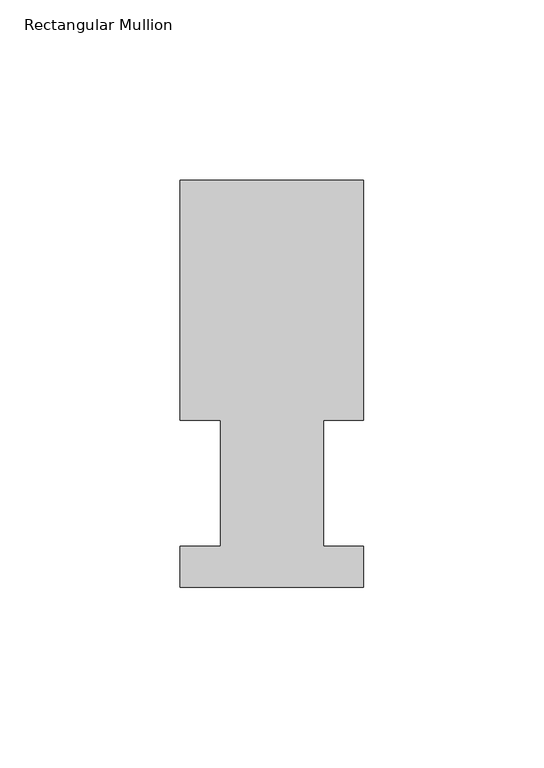
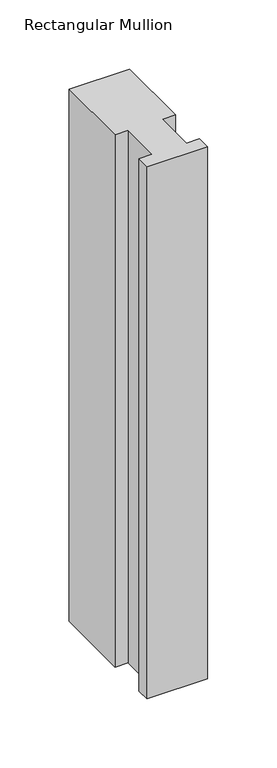
"""IFC4 building model written with IfcOpenShell, lengths in millimetres: member geometry, Rectangular Mullion."""

from ifc_helpers import new_model, si_unit, frame, origin, place, context, project, spatial, polyline, outline, extrude, source, transform, mapped, element, save


def rectangular_mullion_4c14f1f0(model_context):
    return source(origin(), model_context, "Body", "SweptSolid", [
        extrude(outline(polyline([(-50.8, 0.739775), (-50.8, 12.144375), (-39.6875, 12.144375), (-39.6875, 47.069375), (-50.8, 47.069375), (-50.8, 113.464975), (0.0, 113.464975), (0.0, 47.069375), (-11.0998, 47.069375), (-11.0998, 12.144375), (0.0, 12.144375), (0.0, 0.739775), (-50.8, 0.739775)])), frame((0.0, 0.0, -469.9), z_axis=(0.0, 0.0, 1.0), x_axis=(1.0, 0.0, 0.0)), (0.0, 0.0, 1.0), 469.9),
    ])


if __name__ == "__main__":
    model = new_model("IFC4")
    model_context = context("Model", 3, world=origin())
    ifc_project = project(units=[si_unit("LENGTHUNIT", "METRE", prefix="MILLI")], contexts=[model_context])
    site = spatial("IfcSite", under=ifc_project)
    building = spatial("IfcBuilding", under=site)
    placement = place(None, origin())
    rectangular_mullion_shape = rectangular_mullion_4c14f1f0(model_context)
    element("IfcMember", 1, ObjectType="Rectangular Mullion", at=placement, inside=building, context=model_context, shape_type="MappedRepresentation", body=[
        mapped(rectangular_mullion_shape, transform((0.0, 0.0, 0.0), x_axis=(1.0, 0.0, 0.0), y_axis=(0.0, 1.0, 0.0), z_axis=(0.0, 0.0, 1.0))),
    ])
    save(model, "model.ifc")
